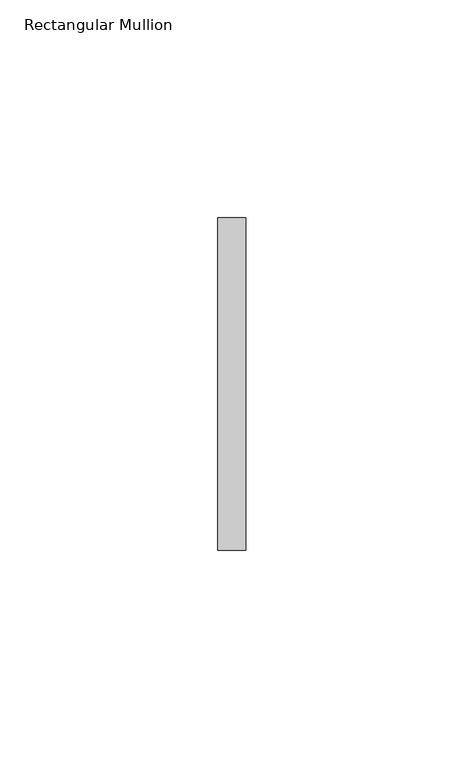
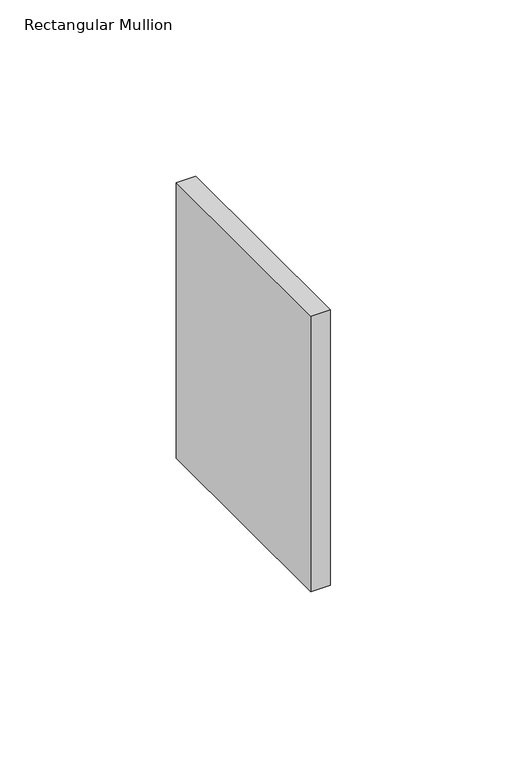
"""IFC4 building model written with IfcOpenShell, lengths in millimetres: member geometry, Rectangular Mullion."""

import ifcopenshell
import ifcopenshell.guid

model = None  # the IFC model being written
_history = None  # IfcOwnerHistory: only IFC2X3 demands one
_inside = {}  # id of a spatial element -> (the spatial element, [elements in it])
_under = {}  # id of a project, library or spatial element -> (it, [spatial elements below it])
_declared = {}  # id of a project -> (the project, [libraries it declares])
_typed = {}  # id of a type object -> (the type object, [elements of that type])
_made_of = {}  # id of a material, layer set ... -> (it, [elements and type objects made of it])


def new_model(schema):
    """Start an empty IFC model of exactly this schema.

    Asked for "IFC4X3", IfcOpenShell would pick the latest addendum, in which some entities
    have other attributes; the version numbers below select the first issue.
    IFC2X3 requires an IfcOwnerHistory on every rooted entity: one is made here for all.
    """
    global model, _history
    if schema == "IFC4X3":
        model = ifcopenshell.file(schema_version=(4, 3, 0, 0))
    else:
        model = ifcopenshell.file(schema=schema)
    _inside.clear()
    _under.clear()
    _declared.clear()
    _typed.clear()
    _made_of.clear()
    _history = None
    if model.schema == "IFC2X3":
        org = make("IfcOrganization", Name="unknown")
        user = make(
            "IfcPersonAndOrganization",
            ThePerson=make("IfcPerson", FamilyName="unknown"),
            TheOrganization=org,
        )
        app = make(
            "IfcApplication",
            ApplicationDeveloper=org,
            Version="unknown",
            ApplicationFullName="unknown",
            ApplicationIdentifier="unknown",
        )
        _history = make(
            "IfcOwnerHistory",
            OwningUser=user,
            OwningApplication=app,
            ChangeAction="ADDED",
            CreationDate=0,
        )
    return model


def make(cls, **values):
    """One entity of the class cls with the attributes given. An attribute that is None is left unset."""
    return model.create_entity(
        cls, **{name: value for name, value in values.items() if value is not None}
    )


def rooted(cls, **values):
    """An entity with a GlobalId (a new one), such as an element, a storey or a relation."""
    return make(cls, GlobalId=ifcopenshell.guid.new(), OwnerHistory=_history, **values)


def si_unit(unit_type, name, prefix=None):
    """IfcSIUnit, for example si_unit("LENGTHUNIT", "METRE", prefix="MILLI")."""
    return make("IfcSIUnit", UnitType=unit_type, Prefix=prefix, Name=name)


def assignment(units):
    """IfcUnitAssignment: the units of a project."""
    return None if units is None else make("IfcUnitAssignment", Units=units)


def point(xyz):
    """IfcCartesianPoint."""
    return None if xyz is None else make("IfcCartesianPoint", Coordinates=xyz)


def direction(xyz):
    """IfcDirection."""
    return None if xyz is None else make("IfcDirection", DirectionRatios=xyz)


def frame(location, z_axis=None, x_axis=None):
    """IfcAxis2Placement3D, a coordinate frame: its origin and axes. An axis left out is left unset."""
    return make(
        "IfcAxis2Placement3D",
        Location=point(location),
        Axis=direction(z_axis),
        RefDirection=direction(x_axis),
    )


def origin():
    """The frame at (0, 0, 0) with its axes left unset."""
    return frame((0.0, 0.0, 0.0))


def place(relative_to, where):
    """IfcLocalPlacement: puts the frame where relative to a parent placement (None: the world)."""
    return make(
        "IfcLocalPlacement", PlacementRelTo=relative_to, RelativePlacement=where
    )


def context(
    kind, dimensions, precision=None, world=None, true_north=None, identifier=None
):
    """IfcGeometricRepresentationContext, for example the 3D "Model" context."""
    return make(
        "IfcGeometricRepresentationContext",
        ContextIdentifier=identifier,
        ContextType=kind,
        CoordinateSpaceDimension=dimensions,
        Precision=precision,
        WorldCoordinateSystem=world,
        TrueNorth=true_north,
    )


def project(units=None, contexts=None):
    """IfcProject with its units and contexts."""
    return rooted(
        "IfcProject",
        Name="project",
        RepresentationContexts=contexts,
        UnitsInContext=assignment(units),
    )


def spatial(cls, under=None, at=None, **own):
    """A site, building, storey or space (cls), placed at a placement, below another one or the project."""
    s = rooted(cls, ObjectPlacement=at, **own)
    if under is not None:
        _under.setdefault(under.id(), (under, []))[1].append(s)
    return s


def polyline(points):
    """IfcPolyline through the points."""
    return make("IfcPolyline", Points=[point(p) for p in points])


def outline(outer, holes=None, kind="AREA"):
    """IfcArbitraryClosedProfileDef: a profile drawn as a closed curve; with holes, ...WithVoids."""
    if holes is None:
        return make("IfcArbitraryClosedProfileDef", ProfileType=kind, OuterCurve=outer)
    return make(
        "IfcArbitraryProfileDefWithVoids",
        ProfileType=kind,
        OuterCurve=outer,
        InnerCurves=holes,
    )


def extrude(swept, where, along, depth):
    """IfcExtrudedAreaSolid: the profile swept, set in the frame where, extruded along a direction by depth."""
    return make(
        "IfcExtrudedAreaSolid",
        SweptArea=swept,
        Position=where,
        ExtrudedDirection=direction(along),
        Depth=depth,
    )


def shape(context_of_items, identifier, shape_type, items):
    """IfcShapeRepresentation: the items that make up one representation, for example the "Body"."""
    return make(
        "IfcShapeRepresentation",
        ContextOfItems=context_of_items,
        RepresentationIdentifier=identifier,
        RepresentationType=shape_type,
        Items=items,
    )


def source(mapping_origin, context_of_items, identifier, shape_type, items):
    """IfcRepresentationMap: a shape defined once, which mapped items show again and again."""
    return make(
        "IfcRepresentationMap",
        MappingOrigin=mapping_origin,
        MappedRepresentation=shape(context_of_items, identifier, shape_type, items),
    )


def transform(
    local_origin,
    x_axis=None,
    y_axis=None,
    z_axis=None,
    scale=None,
    scale2=None,
    scale3=None,
    uniform=True,
):
    """IfcCartesianTransformationOperator3D, or its non-uniform kind. x_axis, y_axis, z_axis: its Axis1, 2, 3."""
    if uniform:
        return make(
            "IfcCartesianTransformationOperator3D",
            Axis1=direction(x_axis),
            Axis2=direction(y_axis),
            LocalOrigin=point(local_origin),
            Scale=scale,
            Axis3=direction(z_axis),
        )
    return make(
        "IfcCartesianTransformationOperator3DnonUniform",
        Axis1=direction(x_axis),
        Axis2=direction(y_axis),
        LocalOrigin=point(local_origin),
        Scale=scale,
        Axis3=direction(z_axis),
        Scale2=scale2,
        Scale3=scale3,
    )


def mapped(mapping_source, mapping_target):
    """IfcMappedItem: shows the shape of a source again, moved by a transform."""
    return make(
        "IfcMappedItem", MappingSource=mapping_source, MappingTarget=mapping_target
    )


def made_of(thing, what):
    """Note that an element or type object is made of a material, layer set ...; save() writes the relation."""
    if what is not None:
        _made_of.setdefault(what.id(), (what, []))[1].append(thing)
    return thing


def element(
    cls,
    number,
    at=None,
    inside=None,
    cuts=None,
    type_object=None,
    material=None,
    context=None,
    identifier="Body",
    shape_type=None,
    held_by="IfcProductDefinitionShape",
    body=None,
    shapes=None,
    **own,
):
    """One element of the class cls, such as IfcWall. Its Tag is "e" and its number.

    at: its placement. inside: the storey or other place that contains it. cuts: it is an
    opening in that element (IfcRelVoidsElement). A single representation is given by context,
    identifier, shape_type and body (its items); several are given by shapes. held_by: the class
    of the entity that holds the representations. save() writes the other relations.
    """
    e = rooted(cls, Tag="e%d" % number, ObjectPlacement=at, **own)
    if body is not None:
        shapes = [shape(context, identifier, shape_type, body)]
    if shapes is not None:
        e.Representation = make(held_by, Representations=shapes)
    if inside is not None:
        _inside.setdefault(inside.id(), (inside, []))[1].append(e)
    if cuts is not None:
        rooted(
            "IfcRelVoidsElement", RelatingBuildingElement=cuts, RelatedOpeningElement=e
        )
    if type_object is not None:
        _typed.setdefault(type_object.id(), (type_object, []))[1].append(e)
    return made_of(e, material)


def aggregate(whole, parts):
    """IfcRelAggregates: a whole, such as a stair, and the parts it consists of."""
    return rooted("IfcRelAggregates", RelatingObject=whole, RelatedObjects=parts)


def save(model, path):
    """Write the relations noted so far, then the file.

    IfcRelAggregates (storeys below a building ...), IfcRelContainedInSpatialStructure (elements
    in a storey), IfcRelDefinesByType, IfcRelAssociatesMaterial and IfcRelDeclares: one each for
    every whole, place, type object, material and project.
    """
    for whole, parts in _under.values():
        aggregate(whole, parts)
    for where, things in _inside.values():
        rooted(
            "IfcRelContainedInSpatialStructure",
            RelatedElements=things,
            RelatingStructure=where,
        )
    for kind, things in _typed.values():
        rooted("IfcRelDefinesByType", RelatedObjects=things, RelatingType=kind)
    for what, things in _made_of.values():
        rooted("IfcRelAssociatesMaterial", RelatedObjects=things, RelatingMaterial=what)
    for by, libraries in _declared.values():
        rooted("IfcRelDeclares", RelatingContext=by, RelatedDefinitions=libraries)
    model.write(path)


def rectangular_mullion_781db5d8(model_context):
    return source(origin(), model_context, "Body", "SweptSolid", [
        extrude(outline(polyline([(0.0, 38.1), (0.0, -38.1), (-6.35, -38.1), (-6.35, 38.1), (0.0, 38.1)])), frame((0.0, 0.0, -95.2499997), z_axis=(0.0, 0.0, 1.0), x_axis=(1.0, 0.0, 0.0)), (0.0, 0.0, 1.0), 95.2499997),
    ])


if __name__ == "__main__":
    model = new_model("IFC4")
    model_context = context("Model", 3, world=origin())
    ifc_project = project(units=[si_unit("LENGTHUNIT", "METRE", prefix="MILLI")], contexts=[model_context])
    site = spatial("IfcSite", under=ifc_project)
    building = spatial("IfcBuilding", under=site)
    placement = place(None, origin())
    rectangular_mullion_shape = rectangular_mullion_781db5d8(model_context)
    element("IfcMember", 1, ObjectType="Rectangular Mullion", at=placement, inside=building, context=model_context, shape_type="MappedRepresentation", body=[
        mapped(rectangular_mullion_shape, transform((0.0, 0.0, 0.0), x_axis=(1.0, 0.0, 0.0), y_axis=(0.0, 1.0, 0.0), z_axis=(0.0, 0.0, 1.0))),
    ])
    save(model, "model.ifc")
